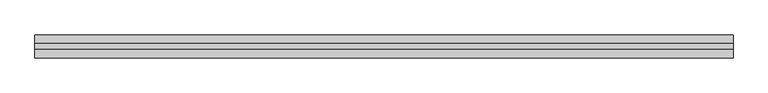
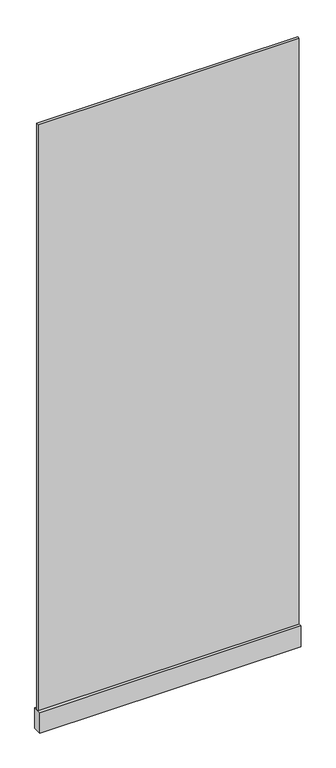
"""IFC4 building model written with IfcOpenShell, lengths in millimetres: plate geometry."""

from ifc_helpers import new_model, si_unit, frame, origin, origin_with_axes, place, context, project, spatial, polyline, outline, extrude, source, transform, mapped, element, save


def plate_ece2b2bb(model_context):
    return source(origin(), model_context, "Body", "SweptSolid", [
        extrude(outline(polyline([(-600.9309555, -5.0), (-600.9309555, 5.0), (600.9309555, 5.0), (600.9309555, -5.0), (-600.9309555, -5.0)])), frame((0.0, 0.0, 100.0), z_axis=(0.0, 0.0, 1.0), x_axis=(1.0, 0.0, 0.0)), (0.0, 0.0, 1.0), 2850.0),
        extrude(outline(polyline([(-600.9309555, -20.0), (-600.9309555, 20.0), (600.9309555, 20.0), (600.9309555, -20.0), (-600.9309555, -20.0)])), origin_with_axes(), (0.0, 0.0, 1.0), 100.0),
    ])


if __name__ == "__main__":
    model = new_model("IFC4")
    model_context = context("Model", 3, world=origin())
    ifc_project = project(units=[si_unit("LENGTHUNIT", "METRE", prefix="MILLI")], contexts=[model_context])
    site = spatial("IfcSite", under=ifc_project)
    building = spatial("IfcBuilding", under=site)
    placement = place(None, origin())
    plate_shape = plate_ece2b2bb(model_context)
    element("IfcPlate", 1, at=placement, inside=building, context=model_context, shape_type="MappedRepresentation", body=[
        mapped(plate_shape, transform((0.0, 0.0, 0.0), x_axis=(1.0, 0.0, 0.0), y_axis=(0.0, 1.0, 0.0), z_axis=(0.0, 0.0, 1.0))),
    ])
    save(model, "model.ifc")
